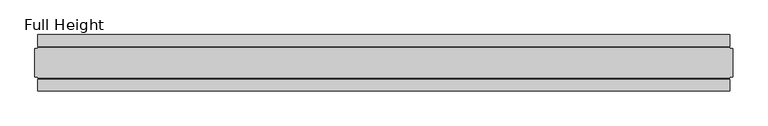
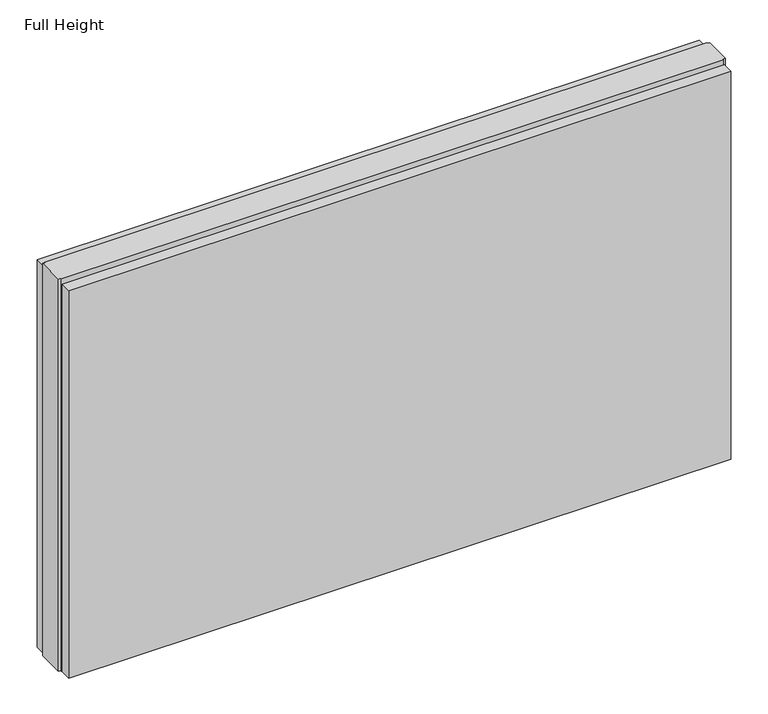
"""IFC4 building model written with IfcOpenShell, lengths in millimetres: plate geometry, Full Height."""

from ifc_helpers import new_model, si_unit, origin, origin_with_axes, place, context, project, spatial, polyline, outline, extrude, source, transform, mapped, element, save


def full_height_801ac69e(model_context):
    return source(origin(), model_context, "Body", "SweptSolid", [
        extrude(outline(polyline([(608.1363377, 28.956), (-608.1363377, 28.956), (-608.1363377, 49.53), (608.1363377, 49.53), (608.1363377, 28.956)])), origin_with_axes(), (0.0, 0.0, 1.0), 752.856),
        extrude(outline(polyline([(608.1363377, -28.956), (608.1363377, -49.53), (-608.1363377, -49.53), (-608.1363377, -28.956), (608.1363377, -28.956)])), origin_with_axes(), (0.0, 0.0, 1.0), 752.856),
        extrude(outline(polyline([(608.1363377, -25.146), (608.1363377, -26.67), (-608.1363377, -26.67), (-608.1363377, -25.146), (-612.7083377, -25.146), (-612.7083377, 25.146), (-608.1363377, 25.146), (-608.1363377, 26.67), (608.1363377, 26.67), (608.1363377, 25.146), (612.7083377, 25.146), (612.7083377, -25.146), (608.1363377, -25.146)])), origin_with_axes(), (0.0, 0.0, 1.0), 762.0),
    ])


if __name__ == "__main__":
    model = new_model("IFC4")
    model_context = context("Model", 3, world=origin())
    ifc_project = project(units=[si_unit("LENGTHUNIT", "METRE", prefix="MILLI")], contexts=[model_context])
    site = spatial("IfcSite", under=ifc_project)
    building = spatial("IfcBuilding", under=site)
    placement = place(None, origin())
    full_height_shape = full_height_801ac69e(model_context)
    element("IfcPlate", 1, ObjectType="Full Height", at=placement, inside=building, context=model_context, shape_type="MappedRepresentation", body=[
        mapped(full_height_shape, transform((0.0, 0.0, 0.0), x_axis=(1.0, 0.0, 0.0), y_axis=(0.0, 1.0, 0.0), z_axis=(0.0, 0.0, 1.0))),
    ])
    save(model, "model.ifc")
